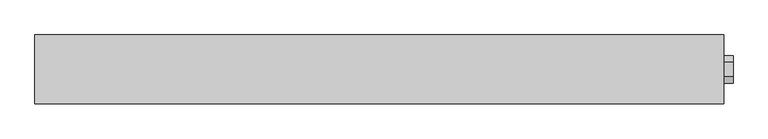
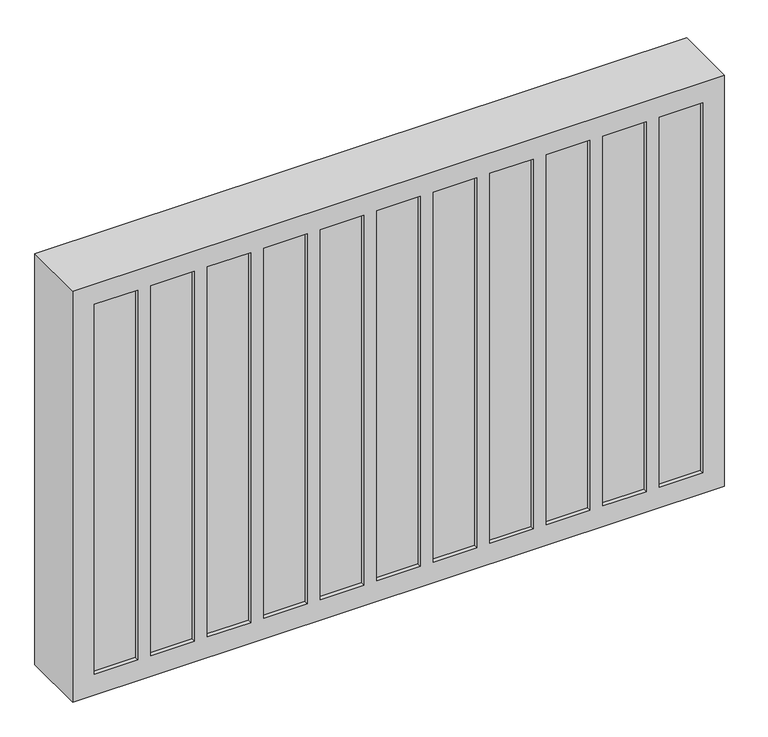
"""IFC4 building model written with IfcOpenShell, lengths in millimetres: proxy geometry."""

from ifc_helpers import new_model, si_unit, frame, origin, place, context, project, spatial, polyline, outline, extrude, faceted_brep, source, transform, mapped, element, save


def generic_models_66714a24(model_context):
    return source(origin(), model_context, "Body", "SolidModel", [
        extrude(outline(polyline([(90.0, 825.9807621), (105.0, 800.0), (90.0, 774.0192379), (60.0, 774.0192379), (45.0, 800.0), (60.0, 825.9807621), (90.0, 825.9807621)])), frame((0.0, 0.0, 0.0), z_axis=(1.0, 0.0, 0.0), x_axis=(0.0, 1.0, 0.0)), (0.0, 0.0, 1.0), 20.0),
        faceted_brep([(-1500.0, 0.0, 1000.0), (0.0, 0.0, 1000.0), (0.0, 150.0, 1000.0), (-1500.0, 150.0, 1000.0), (0.0, 0.0, 0.0), (-1500.0, 0.0, 0.0), (-1500.0, 150.0, 0.0), (0.0, 150.0, 0.0), (-1350.0, 0.0, 50.0), (-1450.0, 0.0, 50.0), (-1450.0, 0.0, 950.0), (-1350.0, 0.0, 950.0), (-180.0, 0.0, 50.0), (-280.0, 0.0, 50.0), (-280.0, 0.0, 950.0), (-180.0, 0.0, 950.0), (-310.0, 0.0, 50.0), (-410.0, 0.0, 50.0), (-410.0, 0.0, 950.0), (-310.0, 0.0, 950.0), (-440.0, 0.0, 50.0), (-540.0, 0.0, 50.0), (-540.0, 0.0, 950.0), (-440.0, 0.0, 950.0), (-570.0, 0.0, 50.0), (-670.0, 0.0, 50.0), (-670.0, 0.0, 950.0), (-570.0, 0.0, 950.0), (-700.0, 0.0, 50.0), (-800.0, 0.0, 50.0), (-800.0, 0.0, 950.0), (-700.0, 0.0, 950.0), (-830.0, 0.0, 50.0), (-930.0, 0.0, 50.0), (-930.0, 0.0, 950.0), (-830.0, 0.0, 950.0), (-960.0, 0.0, 50.0), (-1060.0, 0.0, 50.0), (-1060.0, 0.0, 950.0), (-960.0, 0.0, 950.0), (-1090.0, 0.0, 50.0), (-1190.0, 0.0, 50.0), (-1190.0, 0.0, 950.0), (-1090.0, 0.0, 950.0), (-1220.0, 0.0, 50.0), (-1320.0, 0.0, 50.0), (-1320.0, 0.0, 950.0), (-1220.0, 0.0, 950.0), (-50.0, 0.0, 50.0), (-150.0, 0.0, 50.0), (-150.0, 0.0, 950.0), (-50.0, 0.0, 950.0), (-1450.0, 10.0, 50.0), (-1350.0, 10.0, 50.0), (-1350.0, 10.0, 950.0), (-1450.0, 10.0, 950.0), (-280.0, 10.0, 50.0), (-180.0, 10.0, 50.0), (-180.0, 10.0, 950.0), (-280.0, 10.0, 950.0), (-410.0, 10.0, 50.0), (-310.0, 10.0, 50.0), (-310.0, 10.0, 950.0), (-410.0, 10.0, 950.0), (-540.0, 10.0, 50.0), (-440.0, 10.0, 50.0), (-440.0, 10.0, 950.0), (-540.0, 10.0, 950.0), (-670.0, 10.0, 50.0), (-570.0, 10.0, 50.0), (-570.0, 10.0, 950.0), (-670.0, 10.0, 950.0), (-800.0, 10.0, 50.0), (-700.0, 10.0, 50.0), (-700.0, 10.0, 950.0), (-800.0, 10.0, 950.0), (-930.0, 10.0, 50.0), (-830.0, 10.0, 50.0), (-830.0, 10.0, 950.0), (-930.0, 10.0, 950.0), (-1060.0, 10.0, 50.0), (-960.0, 10.0, 50.0), (-960.0, 10.0, 950.0), (-1060.0, 10.0, 950.0), (-1190.0, 10.0, 50.0), (-1090.0, 10.0, 50.0), (-1090.0, 10.0, 950.0), (-1190.0, 10.0, 950.0), (-1320.0, 10.0, 50.0), (-1220.0, 10.0, 50.0), (-1220.0, 10.0, 950.0), (-1320.0, 10.0, 950.0), (-150.0, 10.0, 50.0), (-50.0, 10.0, 50.0), (-50.0, 10.0, 950.0), (-150.0, 10.0, 950.0)], [[[0, 1, 2, 3]], [[4, 5, 6, 7]], [[1, 0, 5, 4], [8, 9, 10, 11], [12, 13, 14, 15], [16, 17, 18, 19], [20, 21, 22, 23], [24, 25, 26, 27], [28, 29, 30, 31], [32, 33, 34, 35], [36, 37, 38, 39], [40, 41, 42, 43], [44, 45, 46, 47], [48, 49, 50, 51]], [[2, 1, 4, 7]], [[3, 2, 7, 6]], [[0, 3, 6, 5]], [[52, 53, 54, 55]], [[53, 52, 9, 8]], [[54, 53, 8, 11]], [[55, 54, 11, 10]], [[52, 55, 10, 9]], [[56, 57, 58, 59]], [[57, 56, 13, 12]], [[58, 57, 12, 15]], [[59, 58, 15, 14]], [[56, 59, 14, 13]], [[60, 61, 62, 63]], [[61, 60, 17, 16]], [[62, 61, 16, 19]], [[63, 62, 19, 18]], [[60, 63, 18, 17]], [[64, 65, 66, 67]], [[65, 64, 21, 20]], [[66, 65, 20, 23]], [[67, 66, 23, 22]], [[64, 67, 22, 21]], [[68, 69, 70, 71]], [[69, 68, 25, 24]], [[70, 69, 24, 27]], [[71, 70, 27, 26]], [[68, 71, 26, 25]], [[72, 73, 74, 75]], [[73, 72, 29, 28]], [[74, 73, 28, 31]], [[75, 74, 31, 30]], [[72, 75, 30, 29]], [[76, 77, 78, 79]], [[77, 76, 33, 32]], [[78, 77, 32, 35]], [[79, 78, 35, 34]], [[76, 79, 34, 33]], [[80, 81, 82, 83]], [[81, 80, 37, 36]], [[82, 81, 36, 39]], [[83, 82, 39, 38]], [[80, 83, 38, 37]], [[84, 85, 86, 87]], [[85, 84, 41, 40]], [[86, 85, 40, 43]], [[87, 86, 43, 42]], [[84, 87, 42, 41]], [[88, 89, 90, 91]], [[89, 88, 45, 44]], [[90, 89, 44, 47]], [[91, 90, 47, 46]], [[88, 91, 46, 45]], [[92, 93, 94, 95]], [[93, 92, 49, 48]], [[94, 93, 48, 51]], [[95, 94, 51, 50]], [[92, 95, 50, 49]]]),
    ])


if __name__ == "__main__":
    model = new_model("IFC4")
    model_context = context("Model", 3, world=origin())
    ifc_project = project(units=[si_unit("LENGTHUNIT", "METRE", prefix="MILLI")], contexts=[model_context])
    site = spatial("IfcSite", under=ifc_project)
    building = spatial("IfcBuilding", under=site)
    placement = place(None, origin())
    generic_models_shape = generic_models_66714a24(model_context)
    element("IfcBuildingElementProxy", 1, Name="Generic Models", at=placement, inside=building, context=model_context, shape_type="MappedRepresentation", body=[
        mapped(generic_models_shape, transform((0.0, 0.0, 0.0), x_axis=(1.0, 0.0, 0.0), y_axis=(0.0, 1.0, 0.0), z_axis=(0.0, 0.0, 1.0))),
    ])
    save(model, "model.ifc")
